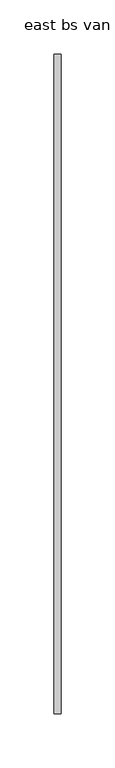
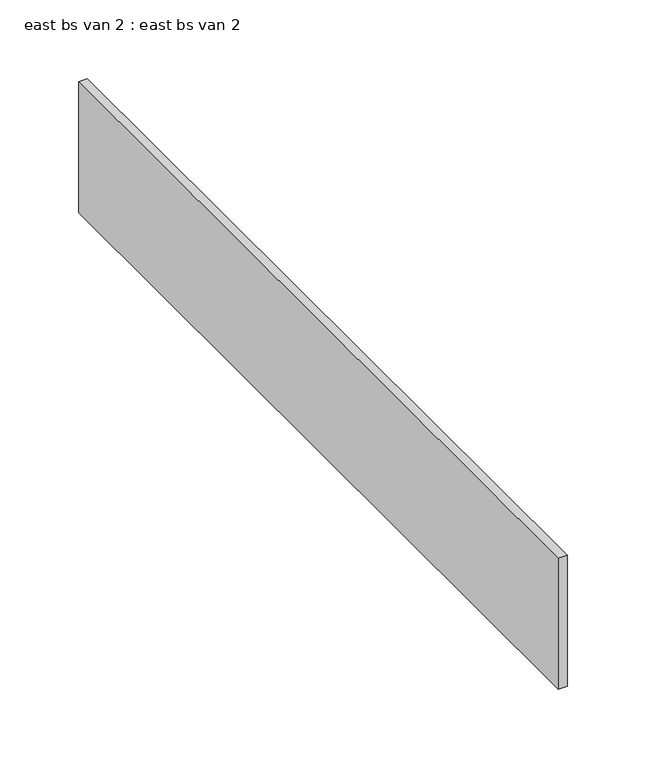
"""IFC4 building model written with IfcOpenShell, lengths in millimetres: proxy geometry, east bs van 2 : east bs van 2."""

from ifc_helpers import new_model, si_unit, frame, origin, place, context, project, spatial, polyline, outline, extrude, source, transform, mapped, element, save


def east_bs_van_2_east_bs_van_2_096b2cde(model_context):
    return source(origin(), model_context, "Body", "SweptSolid", [
        extrude(outline(polyline([(-4408.5948603, 8028.2251285), (-4408.5948603, 8637.2796464), (-4402.2448603, 8637.2796464), (-4402.2448603, 8028.2251285), (-4408.5948603, 8028.2251285)])), frame((0.0, 0.0, 3835.4), z_axis=(0.0, 0.0, 1.0), x_axis=(1.0, 0.0, 0.0)), (0.0, 0.0, 1.0), 101.6),
    ])


if __name__ == "__main__":
    model = new_model("IFC4")
    model_context = context("Model", 3, world=origin())
    ifc_project = project(units=[si_unit("LENGTHUNIT", "METRE", prefix="MILLI")], contexts=[model_context])
    site = spatial("IfcSite", under=ifc_project)
    building = spatial("IfcBuilding", under=site)
    placement = place(None, origin())
    east_bs_van_2_east_bs_van_2_shape = east_bs_van_2_east_bs_van_2_096b2cde(model_context)
    element("IfcBuildingElementProxy", 1, Name="east bs van 2 : east bs van 2", ObjectType="east bs van 2 : east bs van 2", at=placement, inside=building, context=model_context, shape_type="MappedRepresentation", body=[
        mapped(east_bs_van_2_east_bs_van_2_shape, transform((0.0, 0.0, 0.0), x_axis=(1.0, 0.0, 0.0), y_axis=(0.0, 1.0, 0.0), z_axis=(0.0, 0.0, 1.0))),
    ])
    save(model, "model.ifc")
